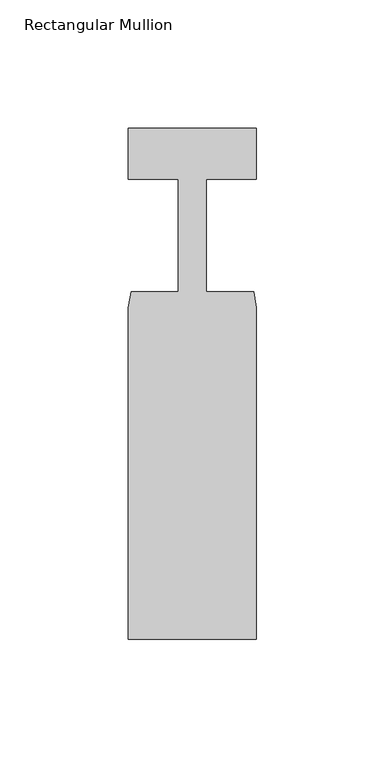
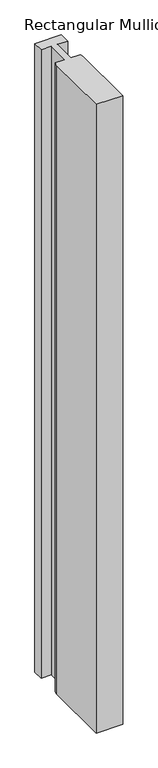
"""IFC4 building model written with IfcOpenShell, lengths in millimetres: member geometry, Rectangular Mullion."""

from ifc_helpers import new_model, si_unit, frame, origin, place, context, project, spatial, polyline, outline, extrude, source, transform, mapped, element, save


def rectangular_mullion_eef0d4fb(model_context):
    return source(origin(), model_context, "Body", "SweptSolid", [
        extrude(outline(polyline([(0.0, -152.3), (-50.0, -152.3), (-50.0, -23.0), (-48.9, -16.8), (-30.4999999, -16.8), (-30.4999999, 27.0), (-50.0, 27.0), (-50.0, 47.0), (0.0, 47.0), (0.0, 27.0), (-19.5, 27.0), (-19.5, -16.8), (-1.1, -16.8), (0.0, -23.0), (0.0, -152.3)])), frame((0.0, 0.0, -1250.0), z_axis=(0.0, 0.0, 1.0), x_axis=(1.0, 0.0, 0.0)), (0.0, 0.0, 1.0), 1250.0),
    ])


if __name__ == "__main__":
    model = new_model("IFC4")
    model_context = context("Model", 3, world=origin())
    ifc_project = project(units=[si_unit("LENGTHUNIT", "METRE", prefix="MILLI")], contexts=[model_context])
    site = spatial("IfcSite", under=ifc_project)
    building = spatial("IfcBuilding", under=site)
    placement = place(None, origin())
    rectangular_mullion_shape = rectangular_mullion_eef0d4fb(model_context)
    element("IfcMember", 1, ObjectType="Rectangular Mullion", at=placement, inside=building, context=model_context, shape_type="MappedRepresentation", body=[
        mapped(rectangular_mullion_shape, transform((0.0, 0.0, 0.0), x_axis=(1.0, 0.0, 0.0), y_axis=(0.0, 1.0, 0.0), z_axis=(0.0, 0.0, 1.0))),
    ])
    save(model, "model.ifc")
